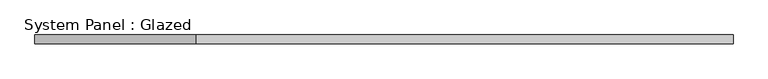
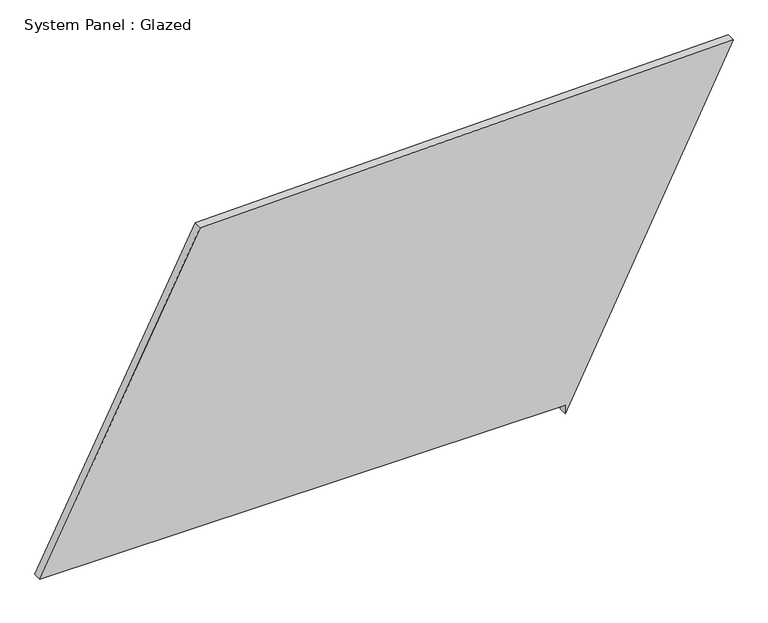
"""IFC4 building model written with IfcOpenShell, lengths in millimetres: plate geometry, System Panel : Glazed."""

from ifc_helpers import new_model, si_unit, frame, origin, place, context, project, spatial, polyline, outline, extrude, source, transform, mapped, element, save


def system_panel_glazed_f35e696f(model_context):
    return source(origin(), model_context, "Body", "SweptSolid", [
        extrude(outline(polyline([(25.0, 512.1608005), (0.0, 512.1608005), (964.9773977, 994.2225539), (931.2625385, -534.7860703), (25.0, -994.2225539), (25.0, 512.1608005)])), frame((0.0, -49.5, 0.0), z_axis=(0.0, 1.0, 0.0), x_axis=(0.0, 0.0, 1.0)), (0.0, 0.0, 1.0), 25.0),
    ])


if __name__ == "__main__":
    model = new_model("IFC4")
    model_context = context("Model", 3, world=origin())
    ifc_project = project(units=[si_unit("LENGTHUNIT", "METRE", prefix="MILLI")], contexts=[model_context])
    site = spatial("IfcSite", under=ifc_project)
    building = spatial("IfcBuilding", under=site)
    placement = place(None, origin())
    system_panel_glazed_shape = system_panel_glazed_f35e696f(model_context)
    element("IfcPlate", 1, ObjectType="System Panel : Glazed", at=placement, inside=building, context=model_context, shape_type="MappedRepresentation", body=[
        mapped(system_panel_glazed_shape, transform((0.0, 0.0, 0.0), x_axis=(1.0, 0.0, 0.0), y_axis=(0.0, 1.0, 0.0), z_axis=(0.0, 0.0, 1.0))),
    ])
    save(model, "model.ifc")
